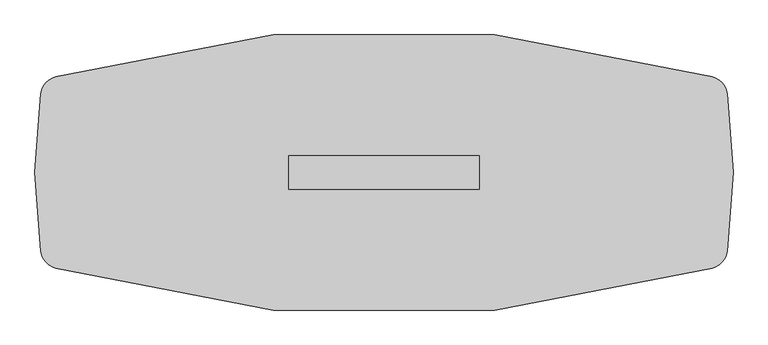
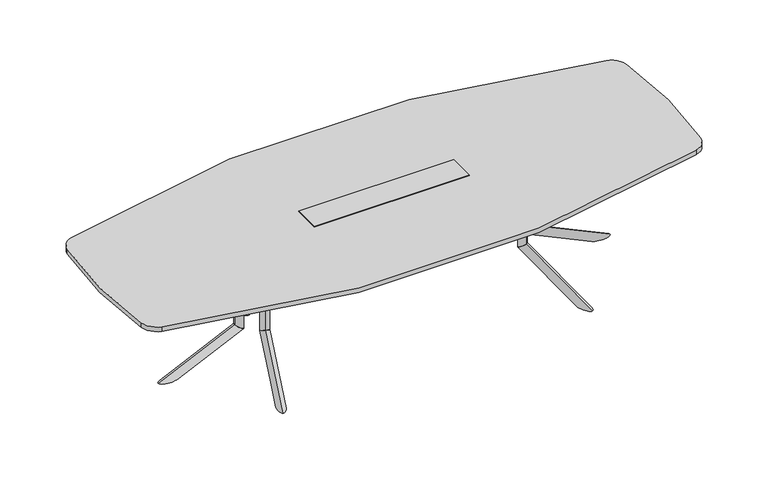
"""IFC4 building model written with IfcOpenShell, lengths in millimetres: furniture geometry."""

from ifc_helpers import new_model, si_unit, point, frame, frame_2d, origin, place, context, project, spatial, polyline, circle_curve, ellipse_curve, trimmed, segment, composite_curve, outline, extrude, faceted_brep, source, transform, mapped, element, save
from ifc_brep_helpers import plane_surface, cylinder_surface, advanced_brep


def furniture_0a0b069b(model_context):
    return source(origin(), model_context, "Body", "SolidModel", [
        advanced_brep(
        [(751.6223919, 75.2941685, 686.003912), (767.6497318, 122.655803, 686.003912), (767.6497318, 122.655803, 209.8373371), (751.6223919, 75.2941685, 177.9838308)],
        [
            (0, 1, circle_curve(frame((759.6360619, 98.9749857, 686.003912), z_axis=(0.0, 0.0, 1.0), x_axis=(0.3205467959798249, 0.9472326808060777, 0.0)), 25.0000002)),
            (1, 0, circle_curve(frame((759.6360619, 98.9749857, 686.003912), z_axis=(0.0, 0.0, 1.0), x_axis=(0.3205467959798249, 0.9472326808060777, 0.0)), 25.0000002)),
            (1, 2),
            (2, 3, ellipse_curve(frame((759.6360619, 98.9749857, 193.910584), z_axis=(-0.17222964099785984, -0.5089476688044559, 0.8433914993526187), x_axis=(0.2703464428741051, 0.7988879909008375, 0.5372995243062679)), 29.6422245, 25.0000002)),
            (3, 0),
            (3, 2, ellipse_curve(frame((759.6360619, 98.9749857, 193.910584), z_axis=(-0.17222964099785984, -0.5089476688044559, 0.8433914993526187), x_axis=(0.2703464428741051, 0.7988879909008375, 0.5372995243062679)), 29.6422245, 25.0000002)),
        ],
        [
            plane_surface(frame((767.6497318, 122.655803, 686.003912), z_axis=(0.0, 0.0, 1.0000000000000002), x_axis=(0.9472326808060777, -0.3205467959798249, 0.0))),
            cylinder_surface(frame((759.6360619, 98.9749857, 171.4949981), z_axis=(0.0, 0.0, 1.0), x_axis=(0.3205467959798249, 0.9472326808060777, 0.0)), 25.0000002),
            plane_surface(frame((833.7881968, 41.2603046, 174.2251154), z_axis=(0.17222964099785987, 0.508947668804456, -0.8433914993526189), x_axis=(-0.9472326808060767, 0.32054679597982794, 0.0))),
        ],
        [
            (0, [[1, 2]]),
            (1, [[3, 4, 5, -2]]),
            (1, [[-5, 6, -3, -1]]),
            (2, [[-6, -4]]),
        ],
    ),
        advanced_brep(
        [(911.8935324, 548.9087623, 0.0), (873.9663703, 436.8270746, 0.0), (751.6203866, 75.2882427, 177.9798453), (767.6497318, 122.6558029, 209.8373371)],
        [
            (0, 1, ellipse_curve(frame((892.930699, 492.8676655, 0.0), z_axis=(0.0, 0.0, 1.0), x_axis=(-0.32054679597982483, -0.9472326808060776, 0.0)), 59.162434, 25.003125)),
            (1, 2),
            (2, 3, ellipse_curve(frame((759.6350592, 98.9720228, 193.9085912), z_axis=(0.17222964099785967, 0.5089476688044554, -0.843391499352619), x_axis=(-0.27034644287410003, -0.7988879909008393, -0.5372995243062673)), 29.6459333, 25.003125)),
            (3, 0),
            (3, 2, ellipse_curve(frame((759.6350592, 98.9720228, 193.9085912), z_axis=(0.17222964099785967, 0.5089476688044554, -0.843391499352619), x_axis=(-0.27034644287410003, -0.7988879909008393, -0.5372995243062673)), 29.6459333, 25.003125)),
            (1, 0, ellipse_curve(frame((892.930699, 492.8676655, 0.0), z_axis=(0.0, 0.0, 1.0), x_axis=(-0.32054679597982483, -0.9472326808060776, 0.0)), 59.162434, 25.003125)),
        ],
        [
            cylinder_surface(frame((908.5078767, 538.8990467, -22.6605205), z_axis=(-0.2905140573061644, -0.858484354750152, 0.42261826174069417), x_axis=(0.13546892972354252, 0.40031782902624236, 0.9063077870366524)), 25.003125),
            plane_surface(frame((836.9905535, 107.1040594, 214.6127246), z_axis=(-0.1722296409978597, -0.5089476688044555, 0.8433914993526193), x_axis=(-0.9472326808060767, 0.3205467959798279, 0.0))),
            plane_surface(frame((917.8451428, 406.9632923, 0.0), z_axis=(0.0, 0.0, -1.0000000000000002), x_axis=(-0.9472326808060768, 0.3205467959798276, 0.0))),
        ],
        [
            (0, [[1, 2, 3, 4]]),
            (0, [[5, -2, 6, -4]]),
            (1, [[-5, -3]]),
            (2, [[-6, -1]]),
        ],
    ),
        extrude(outline(polyline([(0.0, 0.0), (-9.475476, 14.6158843), (381.7231629, 69.2843282), (391.4053704, 0.0), (0.0, 0.0)])), frame((893.8005039, 489.1986462, 670.2172707), z_axis=(-0.9472326808060766, 0.320546795979828, 0.0), x_axis=(-0.3174619360313854, -0.9381167570298226, -0.13840111759322388)), (0.0, 0.0, 1.0), 4.0),
        extrude(outline(polyline([(687.623204, 120.1483939), (824.8259996, 525.589888), (966.9109028, 477.5078683), (829.7081072, 72.0663742), (687.623204, 120.1483939)])), frame((0.0, 0.0, 686.003912), z_axis=(0.0, 0.0, 1.0), x_axis=(1.0, 0.0, 0.0)), (0.0, 0.0, 1.0), 3.9999739),
        advanced_brep(
        [(751.6223919, -75.2941685, 686.003912), (767.6497318, -122.655803, 686.003912), (751.6223919, -75.2941685, 177.9838308), (767.6497318, -122.655803, 209.8373371)],
        [
            (0, 1, circle_curve(frame((759.6360619, -98.9749857, 686.003912), z_axis=(0.0, 0.0, 1.0), x_axis=(0.3205467959798129, -0.9472326808060817, 0.0)), 25.0000002)),
            (1, 0, circle_curve(frame((759.6360619, -98.9749857, 686.003912), z_axis=(0.0, 0.0, 1.0), x_axis=(0.3205467959798129, -0.9472326808060817, 0.0)), 25.0000002)),
            (0, 2),
            (2, 3, ellipse_curve(frame((759.6360619, -98.9749857, 193.910584), z_axis=(-0.17222964099785343, 0.5089476688044581, 0.8433914993526187), x_axis=(0.270346442874095, -0.7988879909008408, 0.5372995243062678)), 29.6422245, 25.0000002)),
            (3, 1),
            (3, 2, ellipse_curve(frame((759.6360619, -98.9749857, 193.910584), z_axis=(-0.17222964099785343, 0.5089476688044581, 0.8433914993526187), x_axis=(0.270346442874095, -0.7988879909008408, 0.5372995243062678)), 29.6422245, 25.0000002)),
        ],
        [
            plane_surface(frame((767.6497318, -122.655803, 686.003912), z_axis=(0.0, 0.0, 1.0), x_axis=(0.9472326808060817, 0.3205467959798129, 0.0))),
            cylinder_surface(frame((759.6360619, -98.9749857, 171.4949981), z_axis=(0.0, 0.0, 1.0), x_axis=(0.3205467959798129, -0.9472326808060817, 0.0)), 25.0000002),
            plane_surface(frame((833.7881968, -41.2603046, 174.2251154), z_axis=(0.17222964099785343, -0.5089476688044581, -0.8433914993526187), x_axis=(-0.9472326808060807, -0.32054679597981595, 0.0))),
        ],
        [
            (0, [[1, 2]]),
            (1, [[-1, 3, 4, 5]]),
            (1, [[-2, -5, 6, -3]]),
            (2, [[-4, -6]]),
        ],
    ),
        advanced_brep(
        [(911.8950232, -548.9082435, 6.4e-06), (767.6497318, -122.6558029, 209.8373371), (751.6203866, -75.2882427, 177.9798453), (873.9663703, -436.8270746, 0.0)],
        [
            (0, 1),
            (1, 2, ellipse_curve(frame((759.6350592, -98.9720228, 193.9085912), z_axis=(0.17222964099785326, -0.5089476688044576, -0.843391499352619), x_axis=(-0.2703464428740898, 0.7988879909008427, -0.5372995243062677)), 29.6459333, 25.003125)),
            (2, 3),
            (3, 0, ellipse_curve(frame((892.930699, -492.8676655, 0.0), z_axis=(0.0, 0.0, 1.0), x_axis=(-0.32054679597981284, 0.9472326808060817, 0.0)), 59.162434, 25.003125)),
            (0, 3, ellipse_curve(frame((892.930699, -492.8676655, 0.0), z_axis=(0.0, 0.0, 1.0), x_axis=(-0.32054679597981284, 0.9472326808060817, 0.0)), 59.162434, 25.003125)),
            (2, 1, ellipse_curve(frame((759.6350592, -98.9720228, 193.9085912), z_axis=(0.17222964099785326, -0.5089476688044576, -0.843391499352619), x_axis=(-0.2703464428740898, 0.7988879909008427, -0.5372995243062677)), 29.6459333, 25.003125)),
        ],
        [
            cylinder_surface(frame((908.5078767, -538.8990467, -22.6605205), z_axis=(-0.29051405730615354, 0.8584843547501557, 0.42261826174069417), x_axis=(0.13546892972353747, -0.400317829026244, 0.9063077870366524)), 25.003125),
            plane_surface(frame((836.9905535, -107.1040594, 214.6127246), z_axis=(-0.17222964099785326, 0.5089476688044576, 0.843391499352619), x_axis=(-0.9472326808060807, -0.3205467959798159, 0.0))),
            plane_surface(frame((917.8451428, -406.9632923, 0.0), z_axis=(0.0, 0.0, -1.0), x_axis=(-0.9472326808060808, -0.3205467959798156, 0.0))),
        ],
        [
            (0, [[1, 2, 3, 4]]),
            (0, [[-1, 5, -3, 6]]),
            (1, [[-2, -6]]),
            (2, [[-4, -5]]),
        ],
    ),
        extrude(outline(polyline([(0.0, 0.0), (9.475476, -14.6158843), (-381.723163, -69.2843282), (-391.4053705, 0.0), (0.0, 0.0)])), frame((890.0115732, -490.4808334, 670.2172707), z_axis=(0.9472326808060806, 0.320546795979816, 0.0), x_axis=(0.31746193603137357, -0.9381167570298267, 0.1384011175932239)), (0.0, 0.0, 1.0), 4.0),
        extrude(outline(polyline([(687.623204, -120.1483939), (829.7081072, -72.0663742), (966.9109028, -477.5078683), (824.8259996, -525.589888), (687.623204, -120.1483939)])), frame((0.0, 0.0, 686.003912), z_axis=(0.0, 0.0, 1.0), x_axis=(1.0, 0.0, 0.0)), (0.0, 0.0, 1.0), 3.9999739),
        advanced_brep(
        [(830.520648, 0.0, 686.4114757), (880.5206484, 0.0, 686.4114757), (830.520648, 0.0, 178.3913945), (880.5206484, 0.0, 210.2449008)],
        [
            (0, 1, circle_curve(frame((855.5206482, 0.0, 686.4114757), z_axis=(0.0, 0.0, 1.0), x_axis=(1.0, 0.0, 0.0)), 25.0000002)),
            (1, 0, circle_curve(frame((855.5206482, 0.0, 686.4114757), z_axis=(0.0, 0.0, 1.0), x_axis=(1.0, 0.0, 0.0)), 25.0000002)),
            (0, 2),
            (2, 3, ellipse_curve(frame((855.5206482, 0.0, 194.3181477), z_axis=(-0.5372995243062679, 0.0, 0.8433914993526187), x_axis=(0.8433914993526187, 0.0, 0.5372995243062678)), 29.6422245, 25.0000002)),
            (3, 1),
            (3, 2, ellipse_curve(frame((855.5206482, 0.0, 194.3181477), z_axis=(-0.5372995243062679, 0.0, 0.8433914993526187), x_axis=(0.8433914993526187, 0.0, 0.5372995243062678)), 29.6422245, 25.0000002)),
        ],
        [
            plane_surface(frame((880.5206484, 0.0, 686.4114757), z_axis=(0.0, 0.0, 1.0), x_axis=(0.0, 1.0, 0.0))),
            cylinder_surface(frame((855.5206482, 0.0, 171.9025618), z_axis=(0.0, 0.0, 1.0), x_axis=(1.0, 0.0, 0.0)), 25.0000002),
            plane_surface(frame((824.6206453, 88.7395816, 174.6326791), z_axis=(0.5372995243062679, 0.0, -0.8433914993526187), x_axis=(0.0, -1.0, 0.0))),
        ],
        [
            (0, [[1, 2]]),
            (1, [[-1, 3, 4, 5]]),
            (1, [[-2, -5, 6, -3]]),
            (2, [[-4, -6]]),
        ],
    ),
        advanced_brep(
        [(1330.5182563, 0.0, 0.4075701), (880.5206484, 0.0, 210.2449008), (830.514392, 0.0, 178.387409), (1212.1934021, 0.0, 0.4075637)],
        [
            (0, 1),
            (1, 2, ellipse_curve(frame((855.5175202, 0.0, 194.3161549), z_axis=(0.5372995243062675, 0.0, -0.843391499352619), x_axis=(-0.843391499352619, 0.0, -0.5372995243062674)), 29.6459333, 25.003125)),
            (2, 3),
            (3, 0, ellipse_curve(frame((1271.355836, 0.0, 0.4075637), z_axis=(0.0, 0.0, 1.0), x_axis=(-1.0, 0.0, 0.0)), 59.162434, 25.003125)),
            (0, 3, ellipse_curve(frame((1271.355836, 0.0, 0.4075637), z_axis=(0.0, 0.0, 1.0), x_axis=(-1.0, 0.0, 0.0)), 59.162434, 25.003125)),
            (2, 1, ellipse_curve(frame((855.5175202, 0.0, 194.3161549), z_axis=(0.5372995243062675, 0.0, -0.843391499352619), x_axis=(-0.843391499352619, 0.0, -0.5372995243062674)), 29.6459333, 25.003125)),
        ],
        [
            cylinder_surface(frame((1319.9514791, 0.0, -22.2529568), z_axis=(-0.9063077870366524, 0.0, 0.42261826174069417), x_axis=(0.42261826174069417, 0.0, 0.9063077870366524)), 25.003125),
            plane_surface(frame((888.0165069, 70.666954, 215.0202883), z_axis=(-0.5372995243062675, 0.0, 0.843391499352619), x_axis=(0.0, -1.0, 0.0))),
            plane_surface(frame((1197.9706514, 51.136147, 0.4075637), z_axis=(0.0, 0.0, -1.0), x_axis=(0.0, -1.0, 0.0))),
        ],
        [
            (0, [[1, 2, 3, 4]]),
            (0, [[-1, 5, -3, 6]]),
            (1, [[-2, -6]]),
            (2, [[-4, -5]]),
        ],
    ),
        extrude(outline(polyline([(670.6248344, 1268.1592342), (686.4114757, 1275.5206659), (686.4114757, 880.5206484), (616.4538937, 880.5206484), (670.6248344, 1268.1592342)])), frame((0.0, -2.0, 0.0), z_axis=(0.0, 1.0, 0.0), x_axis=(0.0, 0.0, 1.0)), (0.0, 0.0, 1.0), 4.0),
        extrude(outline(polyline([(852.4933015, -75.0000006), (852.4933015, 75.0000006), (1280.5206514, 75.0000006), (1280.5206514, -75.0000006), (852.4933015, -75.0000006)])), frame((0.0, 0.0, 686.4114757), z_axis=(0.0, 0.0, 1.0), x_axis=(1.0, 0.0, 0.0)), (0.0, 0.0, 1.0), 3.9999739),
        extrude(outline(composite_curve([segment(trimmed(circle_curve(frame_2d((754.0271514, 0.1720115)), 88.6441382), [point((781.9449789, 84.3051093))], [point((839.0833158, 25.1366295))], False, "CARTESIAN"), True, "CONTINUOUS"), segment(polyline([(839.0833158, 25.1366295), (834.5135834, 23.795379)]), True, "CONTINUOUS"), segment(trimmed(circle_curve(frame_2d((754.0271514, 0.1720115)), 83.8816382), [point((834.5135834, 23.795379))], [point((780.4450641, 79.7849698))], True, "CARTESIAN"), True, "CONTINUOUS"), segment(polyline([(780.4450641, 79.7849698), (781.9449789, 84.3051093)]), True, "CONTINUOUS")], self_intersect=False)), frame((0.0, 0.0, 417.003907), z_axis=(0.0, 0.0, 1.0), x_axis=(1.0, 0.0, 0.0)), (0.0, 0.0, 1.0), 199.4499866),
        extrude(outline(composite_curve([segment(polyline([(781.9449789, -84.3051093), (780.4450641, -79.7849698)]), True, "CONTINUOUS"), segment(trimmed(circle_curve(frame_2d((754.0271514, -0.1720115)), 83.8816382), [point((780.4450641, -79.7849698))], [point((834.5135834, -23.795379))], True, "CARTESIAN"), True, "CONTINUOUS"), segment(polyline([(834.5135834, -23.795379), (839.0833158, -25.1366295)]), True, "CONTINUOUS"), segment(trimmed(circle_curve(frame_2d((754.0271514, -0.1720115)), 88.6441382), [point((839.0833158, -25.1366295))], [point((781.9449789, -84.3051093))], False, "CARTESIAN"), True, "CONTINUOUS")], self_intersect=False)), frame((0.0, 0.0, 417.003907), z_axis=(0.0, 0.0, 1.0), x_axis=(1.0, 0.0, 0.0)), (0.0, 0.0, 1.0), 199.4499866),
        faceted_brep([(457.2, 79.6726562, 721.2210938), (-457.2, 79.6726562, 721.2210938), (-457.2, -79.6726563, 721.2210938), (457.2, -79.6726563, 721.2210938), (457.2, 79.6726562, 718.0460938), (457.2, -79.6726563, 718.0460938), (-457.2, -79.6726563, 718.0460938), (-457.2, 79.6726562, 718.0460938), (454.025, 74.9101562, 718.0460938), (-454.025, 74.9101562, 718.0460938), (-454.025, -74.9101563, 718.0460938), (454.025, -74.9101563, 718.0460938), (454.025, 74.9101562, 648.1960938), (454.025, -74.9101563, 648.1960938), (-454.025, -74.9101563, 648.1960938), (-454.025, 74.9101562, 648.1960938)], [[[0, 1, 2, 3]], [[4, 5, 6, 7], [8, 9, 10, 11]], [[1, 0, 4, 7]], [[2, 1, 7, 6]], [[3, 2, 6, 5]], [[0, 3, 5, 4]], [[12, 13, 14, 15]], [[12, 15, 9, 8]], [[15, 14, 10, 9]], [[14, 13, 11, 10]], [[13, 12, 8, 11]]]),
        advanced_brep(
        [(-751.6223919, -75.2941685, 686.003912), (-767.6497318, -122.655803, 686.003912), (-767.6497318, -122.655803, 209.8373371), (-751.6223919, -75.2941685, 177.9838308)],
        [
            (0, 1, circle_curve(frame((-759.6360619, -98.9749857, 686.003912), z_axis=(0.0, 0.0, 1.0), x_axis=(-0.3205467959798189, -0.9472326808060797, 0.0)), 25.0000002)),
            (1, 0, circle_curve(frame((-759.6360619, -98.9749857, 686.003912), z_axis=(0.0, 0.0, 1.0), x_axis=(-0.3205467959798189, -0.9472326808060797, 0.0)), 25.0000002)),
            (1, 2),
            (2, 3, ellipse_curve(frame((-759.6360619, -98.9749857, 193.910584), z_axis=(0.17222964099785665, 0.508947668804457, 0.8433914993526188), x_axis=(-0.27034644287410003, -0.7988879909008393, 0.5372995243062675)), 29.6422245, 25.0000002)),
            (3, 0),
            (3, 2, ellipse_curve(frame((-759.6360619, -98.9749857, 193.910584), z_axis=(0.17222964099785665, 0.508947668804457, 0.8433914993526188), x_axis=(-0.27034644287410003, -0.7988879909008393, 0.5372995243062675)), 29.6422245, 25.0000002)),
        ],
        [
            plane_surface(frame((-767.6497318, -122.655803, 686.003912), z_axis=(0.0, 0.0, 1.0), x_axis=(-0.9472326808060797, 0.3205467959798189, 0.0))),
            cylinder_surface(frame((-759.6360619, -98.9749857, 171.4949981), z_axis=(0.0, 0.0, 1.0), x_axis=(-0.3205467959798189, -0.9472326808060797, 0.0)), 25.0000002),
            plane_surface(frame((-833.7881968, -41.2603046, 174.2251154), z_axis=(-0.17222964099785665, -0.508947668804457, -0.8433914993526188), x_axis=(0.9472326808060787, -0.32054679597982194, 0.0))),
        ],
        [
            (0, [[1, 2]]),
            (1, [[3, 4, 5, -2]]),
            (1, [[-5, 6, -3, -1]]),
            (2, [[-6, -4]]),
        ],
    ),
        advanced_brep(
        [(-911.8935324, -548.9087623, 0.0), (-873.9663703, -436.8270746, 0.0), (-751.6203866, -75.2882427, 177.9798453), (-767.6497318, -122.6558029, 209.8373371)],
        [
            (0, 1, ellipse_curve(frame((-892.930699, -492.8676655, 0.0), z_axis=(0.0, 0.0, 1.0), x_axis=(0.32054679597981883, 0.9472326808060797, 0.0)), 59.162434, 25.003125)),
            (1, 2),
            (2, 3, ellipse_curve(frame((-759.6350592, -98.9720228, 193.9085912), z_axis=(-0.17222964099785648, -0.5089476688044566, -0.843391499352619), x_axis=(0.2703464428740949, 0.798887990900841, -0.5372995243062678)), 29.6459333, 25.003125)),
            (3, 0),
            (3, 2, ellipse_curve(frame((-759.6350592, -98.9720228, 193.9085912), z_axis=(-0.17222964099785648, -0.5089476688044566, -0.843391499352619), x_axis=(0.2703464428740949, 0.798887990900841, -0.5372995243062678)), 29.6459333, 25.003125)),
            (1, 0, ellipse_curve(frame((-892.930699, -492.8676655, 0.0), z_axis=(0.0, 0.0, 1.0), x_axis=(0.32054679597981883, 0.9472326808060797, 0.0)), 59.162434, 25.003125)),
        ],
        [
            cylinder_surface(frame((-908.5078767, -538.8990467, -22.6605205), z_axis=(0.290514057306159, 0.8584843547501538, 0.42261826174069417), x_axis=(-0.13546892972354, -0.4003178290262432, 0.9063077870366524)), 25.003125),
            plane_surface(frame((-836.9905535, -107.1040594, 214.6127246), z_axis=(0.17222964099785648, 0.5089476688044566, 0.843391499352619), x_axis=(0.9472326808060787, -0.3205467959798219, 0.0))),
            plane_surface(frame((-917.8451428, -406.9632923, 0.0), z_axis=(0.0, 0.0, -1.0000000000000002), x_axis=(0.9472326808060788, -0.3205467959798216, 0.0))),
        ],
        [
            (0, [[1, 2, 3, 4]]),
            (0, [[5, -2, 6, -4]]),
            (1, [[-5, -3]]),
            (2, [[-6, -1]]),
        ],
    ),
        extrude(outline(polyline([(0.0, 0.0), (-391.4053705, 0.0), (-381.723163, 69.2843282), (9.475476, 14.6158843), (0.0, 0.0)])), frame((-890.0115732, -490.4808334, 670.2172707), z_axis=(-0.9472326808060786, 0.320546795979822, 0.0), x_axis=(-0.31746193603137945, -0.9381167570298246, 0.13840111759322388)), (0.0, 0.0, 1.0), 4.0),
        extrude(outline(polyline([(-687.623204, -120.1483939), (-824.8259996, -525.589888), (-966.9109028, -477.5078683), (-829.7081072, -72.0663742), (-687.623204, -120.1483939)])), frame((0.0, 0.0, 686.003912), z_axis=(0.0, 0.0, 1.0), x_axis=(1.0, 0.0, 0.0)), (0.0, 0.0, 1.0), 3.9999739),
        advanced_brep(
        [(-751.6223919, 75.2941685, 686.003912), (-767.6497318, 122.655803, 686.003912), (-751.6223919, 75.2941685, 177.9838308), (-767.6497318, 122.655803, 209.8373371)],
        [
            (0, 1, circle_curve(frame((-759.6360619, 98.9749857, 686.003912), z_axis=(0.0, 0.0, 1.0), x_axis=(-0.3205467959798189, 0.9472326808060797, 0.0)), 25.0000002)),
            (1, 0, circle_curve(frame((-759.6360619, 98.9749857, 686.003912), z_axis=(0.0, 0.0, 1.0), x_axis=(-0.3205467959798189, 0.9472326808060797, 0.0)), 25.0000002)),
            (0, 2),
            (2, 3, ellipse_curve(frame((-759.6360619, 98.9749857, 193.910584), z_axis=(0.17222964099785665, -0.508947668804457, 0.8433914993526188), x_axis=(-0.27034644287410003, 0.7988879909008393, 0.5372995243062675)), 29.6422245, 25.0000002)),
            (3, 1),
            (3, 2, ellipse_curve(frame((-759.6360619, 98.9749857, 193.910584), z_axis=(0.17222964099785665, -0.508947668804457, 0.8433914993526188), x_axis=(-0.27034644287410003, 0.7988879909008393, 0.5372995243062675)), 29.6422245, 25.0000002)),
        ],
        [
            plane_surface(frame((-767.6497318, 122.655803, 686.003912), z_axis=(0.0, 0.0, 1.0), x_axis=(-0.9472326808060797, -0.3205467959798189, 0.0))),
            cylinder_surface(frame((-759.6360619, 98.9749857, 171.4949981), z_axis=(0.0, 0.0, 1.0), x_axis=(-0.3205467959798189, 0.9472326808060797, 0.0)), 25.0000002),
            plane_surface(frame((-833.7881968, 41.2603046, 174.2251154), z_axis=(-0.17222964099785665, 0.508947668804457, -0.8433914993526188), x_axis=(0.9472326808060787, 0.32054679597982194, 0.0))),
        ],
        [
            (0, [[1, 2]]),
            (1, [[-1, 3, 4, 5]]),
            (1, [[-2, -5, 6, -3]]),
            (2, [[-4, -6]]),
        ],
    ),
        advanced_brep(
        [(-911.8950232, 548.9082435, 6.4e-06), (-767.6497318, 122.6558029, 209.8373371), (-751.6203866, 75.2882427, 177.9798453), (-873.9663703, 436.8270746, 0.0)],
        [
            (0, 1),
            (1, 2, ellipse_curve(frame((-759.6350592, 98.9720228, 193.9085912), z_axis=(-0.17222964099785648, 0.5089476688044566, -0.843391499352619), x_axis=(0.2703464428740949, -0.798887990900841, -0.5372995243062678)), 29.6459333, 25.003125)),
            (2, 3),
            (3, 0, ellipse_curve(frame((-892.930699, 492.8676655, 0.0), z_axis=(0.0, 0.0, 1.0), x_axis=(0.32054679597981883, -0.9472326808060797, 0.0)), 59.162434, 25.003125)),
            (0, 3, ellipse_curve(frame((-892.930699, 492.8676655, 0.0), z_axis=(0.0, 0.0, 1.0), x_axis=(0.32054679597981883, -0.9472326808060797, 0.0)), 59.162434, 25.003125)),
            (2, 1, ellipse_curve(frame((-759.6350592, 98.9720228, 193.9085912), z_axis=(-0.17222964099785648, 0.5089476688044566, -0.843391499352619), x_axis=(0.2703464428740949, -0.798887990900841, -0.5372995243062678)), 29.6459333, 25.003125)),
        ],
        [
            cylinder_surface(frame((-908.5078767, 538.8990467, -22.6605205), z_axis=(0.290514057306159, -0.8584843547501538, 0.42261826174069417), x_axis=(-0.13546892972354, 0.4003178290262432, 0.9063077870366524)), 25.003125),
            plane_surface(frame((-836.9905535, 107.1040594, 214.6127246), z_axis=(0.17222964099785648, -0.5089476688044566, 0.843391499352619), x_axis=(0.9472326808060787, 0.3205467959798219, 0.0))),
            plane_surface(frame((-917.8451428, 406.9632923, 0.0), z_axis=(0.0, 0.0, -1.0000000000000002), x_axis=(0.9472326808060788, 0.3205467959798216, 0.0))),
        ],
        [
            (0, [[1, 2, 3, 4]]),
            (0, [[-1, 5, -3, 6]]),
            (1, [[-2, -6]]),
            (2, [[-4, -5]]),
        ],
    ),
        extrude(outline(polyline([(0.0, 0.0), (391.4053704, 0.0), (381.7231629, -69.2843282), (-9.475476, -14.6158843), (0.0, 0.0)])), frame((-893.8005039, 489.1986462, 670.2172707), z_axis=(0.9472326808060786, 0.320546795979822, 0.0), x_axis=(0.31746193603137945, -0.9381167570298246, -0.13840111759322388)), (0.0, 0.0, 1.0), 4.0),
        extrude(outline(polyline([(-687.623204, 120.1483939), (-829.7081072, 72.0663742), (-966.9109028, 477.5078683), (-824.8259996, 525.589888), (-687.623204, 120.1483939)])), frame((0.0, 0.0, 686.003912), z_axis=(0.0, 0.0, 1.0), x_axis=(1.0, 0.0, 0.0)), (0.0, 0.0, 1.0), 3.9999739),
        advanced_brep(
        [(-830.520648, 0.0, 686.4114757), (-880.5206484, 0.0, 686.4114757), (-830.520648, 0.0, 178.3913945), (-880.5206484, 0.0, 210.2449008)],
        [
            (0, 1, circle_curve(frame((-855.5206482, 0.0, 686.4114757), z_axis=(0.0, 0.0, 1.0), x_axis=(-1.0, 0.0, 0.0)), 25.0000002)),
            (1, 0, circle_curve(frame((-855.5206482, 0.0, 686.4114757), z_axis=(0.0, 0.0, 1.0), x_axis=(-1.0, 0.0, 0.0)), 25.0000002)),
            (0, 2),
            (2, 3, ellipse_curve(frame((-855.5206482, 0.0, 194.3181477), z_axis=(0.5372995243062679, 0.0, 0.8433914993526187), x_axis=(-0.8433914993526187, 0.0, 0.5372995243062678)), 29.6422245, 25.0000002)),
            (3, 1),
            (3, 2, ellipse_curve(frame((-855.5206482, 0.0, 194.3181477), z_axis=(0.5372995243062679, 0.0, 0.8433914993526187), x_axis=(-0.8433914993526187, 0.0, 0.5372995243062678)), 29.6422245, 25.0000002)),
        ],
        [
            plane_surface(frame((-880.5206484, 0.0, 686.4114757), z_axis=(0.0, 0.0, 1.0), x_axis=(0.0, -1.0, 0.0))),
            cylinder_surface(frame((-855.5206482, 0.0, 171.9025618), z_axis=(0.0, 0.0, 1.0), x_axis=(-1.0, 0.0, 0.0)), 25.0000002),
            plane_surface(frame((-824.6206453, -88.7395816, 174.6326791), z_axis=(-0.5372995243062679, 0.0, -0.8433914993526187), x_axis=(0.0, 1.0, 0.0))),
        ],
        [
            (0, [[1, 2]]),
            (1, [[-1, 3, 4, 5]]),
            (1, [[-2, -5, 6, -3]]),
            (2, [[-4, -6]]),
        ],
    ),
        advanced_brep(
        [(-1330.5182563, 0.0, 0.4075701), (-880.5206484, 0.0, 210.2449008), (-830.514392, 0.0, 178.387409), (-1212.1934021, 0.0, 0.4075637)],
        [
            (0, 1),
            (1, 2, ellipse_curve(frame((-855.5175202, 0.0, 194.3161549), z_axis=(-0.5372995243062675, 0.0, -0.843391499352619), x_axis=(0.843391499352619, 0.0, -0.5372995243062674)), 29.6459333, 25.003125)),
            (2, 3),
            (3, 0, ellipse_curve(frame((-1271.355836, 0.0, 0.4075637), z_axis=(0.0, 0.0, 1.0), x_axis=(1.0, 0.0, 0.0)), 59.162434, 25.003125)),
            (0, 3, ellipse_curve(frame((-1271.355836, 0.0, 0.4075637), z_axis=(0.0, 0.0, 1.0), x_axis=(1.0, 0.0, 0.0)), 59.162434, 25.003125)),
            (2, 1, ellipse_curve(frame((-855.5175202, 0.0, 194.3161549), z_axis=(-0.5372995243062675, 0.0, -0.843391499352619), x_axis=(0.843391499352619, 0.0, -0.5372995243062674)), 29.6459333, 25.003125)),
        ],
        [
            cylinder_surface(frame((-1319.9514791, 0.0, -22.2529568), z_axis=(0.9063077870366524, 0.0, 0.42261826174069417), x_axis=(-0.42261826174069417, 0.0, 0.9063077870366524)), 25.003125),
            plane_surface(frame((-888.0165069, -70.666954, 215.0202883), z_axis=(0.5372995243062675, 0.0, 0.843391499352619), x_axis=(0.0, 1.0, 0.0))),
            plane_surface(frame((-1197.9706514, -51.136147, 0.4075637), z_axis=(0.0, 0.0, -1.0), x_axis=(0.0, 1.0, 0.0))),
        ],
        [
            (0, [[1, 2, 3, 4]]),
            (0, [[-1, 5, -3, 6]]),
            (1, [[-2, -6]]),
            (2, [[-4, -5]]),
        ],
    ),
        extrude(outline(polyline([(670.6248344, -1268.1592342), (616.4538937, -880.5206484), (686.4114757, -880.5206484), (686.4114757, -1275.5206659), (670.6248344, -1268.1592342)])), frame((0.0, -2.0, 0.0), z_axis=(0.0, 1.0, 0.0), x_axis=(0.0, 0.0, 1.0)), (0.0, 0.0, 1.0), 4.0),
        extrude(outline(polyline([(-852.4933015, 75.0000006), (-852.4933015, -75.0000006), (-1280.5206514, -75.0000006), (-1280.5206514, 75.0000006), (-852.4933015, 75.0000006)])), frame((0.0, 0.0, 686.4114757), z_axis=(0.0, 0.0, 1.0), x_axis=(1.0, 0.0, 0.0)), (0.0, 0.0, 1.0), 3.9999739),
        extrude(outline(composite_curve([segment(trimmed(circle_curve(frame_2d((-754.0271514, -0.1720115)), 88.6441382), [point((-781.9449789, -84.3051093))], [point((-839.0833158, -25.1366295))], False, "CARTESIAN"), True, "CONTINUOUS"), segment(polyline([(-839.0833158, -25.1366295), (-834.5135834, -23.795379)]), True, "CONTINUOUS"), segment(trimmed(circle_curve(frame_2d((-754.0271514, -0.1720115)), 83.8816382), [point((-834.5135834, -23.795379))], [point((-780.4450641, -79.7849698))], True, "CARTESIAN"), True, "CONTINUOUS"), segment(polyline([(-780.4450641, -79.7849698), (-781.9449789, -84.3051093)]), True, "CONTINUOUS")], self_intersect=False)), frame((0.0, 0.0, 417.003907), z_axis=(0.0, 0.0, 1.0), x_axis=(1.0, 0.0, 0.0)), (0.0, 0.0, 1.0), 199.4499866),
        extrude(outline(composite_curve([segment(polyline([(-781.9449789, 84.3051093), (-780.4450641, 79.7849698)]), True, "CONTINUOUS"), segment(trimmed(circle_curve(frame_2d((-754.0271514, 0.1720115)), 83.8816382), [point((-780.4450641, 79.7849698))], [point((-834.5135834, 23.795379))], True, "CARTESIAN"), True, "CONTINUOUS"), segment(polyline([(-834.5135834, 23.795379), (-839.0833158, 25.1366295)]), True, "CONTINUOUS"), segment(trimmed(circle_curve(frame_2d((-754.0271514, 0.1720115)), 88.6441382), [point((-839.0833158, 25.1366295))], [point((-781.9449789, 84.3051093))], False, "CARTESIAN"), True, "CONTINUOUS")], self_intersect=False)), frame((0.0, 0.0, 417.003907), z_axis=(0.0, 0.0, 1.0), x_axis=(1.0, 0.0, 0.0)), (0.0, 0.0, 1.0), 199.4499866),
        extrude(outline(composite_curve([segment(trimmed(circle_curve(frame_2d((1547.5196238, 362.8295336)), 101.6), [point((1576.0027582, 460.3552792))], [point((1647.9775565, 378.0204441))], False, "CARTESIAN"), True, "CONTINUOUS"), segment(trimmed(circle_curve(frame_2d((-852.1027041, -0.0332776)), 2528.5027043), [point((1647.9775565, 378.0204441))], [point((1647.9885254, -378.0144542))], False, "CARTESIAN"), True, "CONTINUOUS"), segment(trimmed(circle_curve(frame_2d((1547.530152, -362.8264588)), 101.6), [point((1647.9885254, -378.0144542))], [point((1576.0134802, -460.3521478))], False, "CARTESIAN"), True, "CONTINUOUS"), segment(trimmed(circle_curve(frame_2d((-0.0824982, 4936.1326011)), 5621.9326017), [point((1576.0134802, -460.3521478))], [point((-1576.002681, -460.4034875))], False, "CARTESIAN"), True, "CONTINUOUS"), segment(trimmed(circle_curve(frame_2d((-1547.5225298, -362.8768707)), 101.6), [point((-1576.002681, -460.4034875))], [point((-1647.9805841, -378.0669766))], False, "CARTESIAN"), True, "CONTINUOUS"), segment(trimmed(circle_curve(frame_2d((852.1027041, -0.0332776)), 2528.5027043), [point((-1647.9805841, -378.0669766))], [point((-1647.9696136, 378.0729665))], False, "CARTESIAN"), True, "CONTINUOUS"), segment(trimmed(circle_curve(frame_2d((-1547.5120001, 362.8799456)), 101.6), [point((-1647.9696136, 378.0729665))], [point((-1575.9919575, 460.406619))], False, "CARTESIAN"), True, "CONTINUOUS"), segment(trimmed(circle_curve(frame_2d((-0.0824982, -4936.1326011)), 5621.9326017), [point((-1575.9919575, 460.406619))], [point((1576.0027582, 460.3552792))], False, "CARTESIAN"), True, "CONTINUOUS")], self_intersect=False)), frame((0.0, 0.0, 689.9671875), z_axis=(0.0, 0.0, 1.0), x_axis=(1.0, 0.0, 0.0)), (0.0, 0.0, 1.0), 28.0789063),
        extrude(outline(polyline([(730.25, -88.7586607), (730.25, -95.1086607), (-730.25, -95.1086607), (-730.25, -88.7586607), (730.25, -88.7586607)])), frame((0.0, 0.0, 417.003907), z_axis=(0.0, 0.0, 1.0), x_axis=(1.0, 0.0, 0.0)), (0.0, 0.0, 1.0), 272.9999788),
        extrude(outline(polyline([(730.25, 95.1086607), (730.25, 88.7586607), (-730.25, 88.7586607), (-730.25, 95.1086607), (730.25, 95.1086607)])), frame((0.0, 0.0, 417.003907), z_axis=(0.0, 0.0, 1.0), x_axis=(1.0, 0.0, 0.0)), (0.0, 0.0, 1.0), 272.9999788),
    ])


if __name__ == "__main__":
    model = new_model("IFC4")
    model_context = context("Model", 3, world=origin())
    ifc_project = project(units=[si_unit("LENGTHUNIT", "METRE", prefix="MILLI")], contexts=[model_context])
    site = spatial("IfcSite", under=ifc_project)
    building = spatial("IfcBuilding", under=site)
    placement = place(None, origin())
    furniture_shape = furniture_0a0b069b(model_context)
    element("IfcFurniture", 1, at=placement, inside=building, context=model_context, shape_type="MappedRepresentation", body=[
        mapped(furniture_shape, transform((0.0, 0.0, 0.0), x_axis=(1.0, 0.0, 0.0), y_axis=(0.0, 1.0, 0.0), z_axis=(0.0, 0.0, 1.0))),
    ])
    save(model, "model.ifc")
